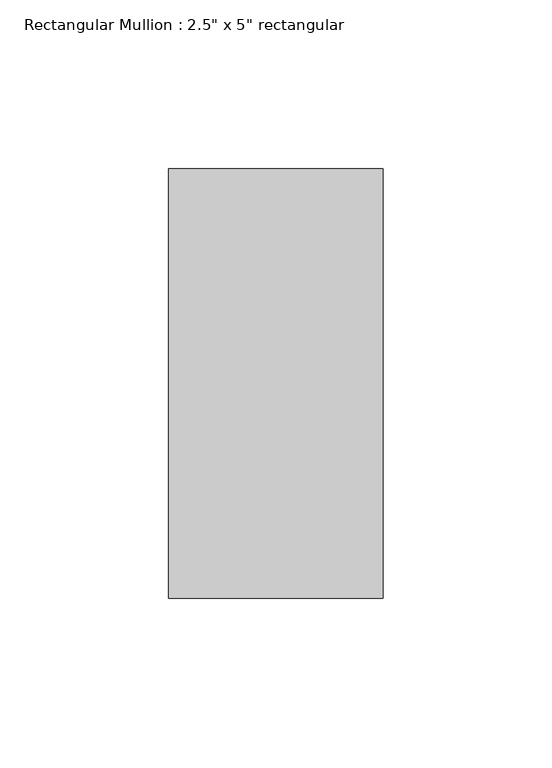
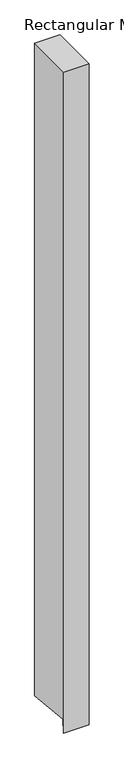
"""IFC4 building model written with IfcOpenShell, lengths in millimetres: member geometry."""

from ifc_helpers import new_model, si_unit, frame, origin, place, context, project, spatial, polyline, outline, extrude, source, transform, mapped, element, save


def member_261ea3d3(model_context):
    return source(origin(), model_context, "Body", "SweptSolid", [
        extrude(outline(polyline([(-63.5, 0.0), (63.5, 0.0), (63.5, -1739.2274415), (-60.3429067, -1727.8961753), (-63.5, -1762.4010219), (-63.5, 0.0)])), frame((-63.5, 0.0, 0.0), z_axis=(1.0, 0.0, 0.0), x_axis=(0.0, 1.0, 0.0)), (0.0, 0.0, 1.0), 63.5),
    ])


if __name__ == "__main__":
    model = new_model("IFC4")
    model_context = context("Model", 3, world=origin())
    ifc_project = project(units=[si_unit("LENGTHUNIT", "METRE", prefix="MILLI")], contexts=[model_context])
    site = spatial("IfcSite", under=ifc_project)
    building = spatial("IfcBuilding", under=site)
    placement = place(None, origin())
    member_shape = member_261ea3d3(model_context)
    element("IfcMember", 1, ObjectType="Rectangular Mullion : 2.5\" x 5\" rectangular", at=placement, inside=building, context=model_context, shape_type="MappedRepresentation", body=[
        mapped(member_shape, transform((0.0, 0.0, 0.0), x_axis=(1.0, 0.0, 0.0), y_axis=(0.0, 1.0, 0.0), z_axis=(0.0, 0.0, 1.0))),
    ])
    save(model, "model.ifc")
